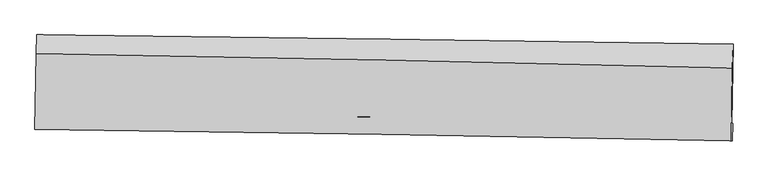
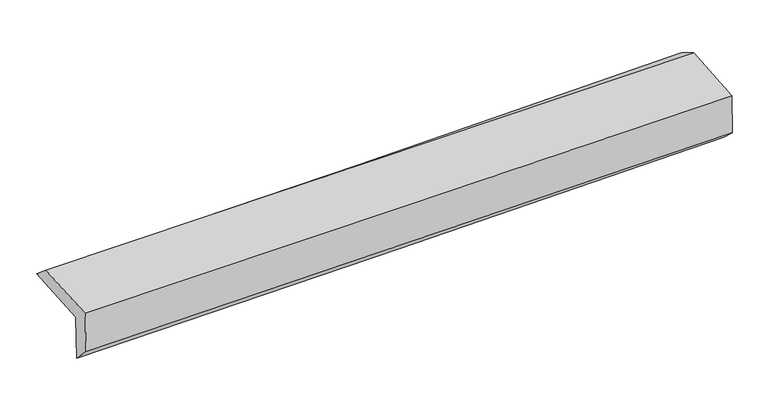
"""IFC4 building model written with IfcOpenShell, lengths in millimetres: proxy geometry."""

from ifc_helpers import new_model, si_unit, frame, origin, place, context, project, spatial, source, transform, mapped, element, save
from ifc_brep_helpers import plane_surface, spline_curve, spline_surface, advanced_brep


def generic_models_77510397(model_context):
    return source(origin(), model_context, "Body", "AdvancedBrep", [
        advanced_brep(
        [(-3021.3833484, -1740.8158276, 1956.2993996), (-3010.3661779, -1081.4392538, 1982.7787474), (3010.1488499, -1161.675762, 2124.7006036), (2999.9972319, -1850.7914675, 2106.5909794), (-3013.4761872, -1738.0219143, 1544.1781339), (3007.7355823, -1850.7942077, 1702.6496514), (-3019.3913696, -1900.2237712, 1705.7488203), (3002.8131702, -2002.7838904, 1838.7277538), (-3026.7391202, -1900.3479844, 2090.9790136), (2995.6643552, -2002.7813589, 2211.8953725), (-3015.7469527, -1242.4678388, 2117.3982677), (3004.5744415, -1367.6045468, 2251.9175177)],
        [
            (0, 1),
            (1, 2, spline_curve(3, [(-3010.3661779, -1081.4392538, 1982.7787474), (-2006.975527615, -1092.413515964, 1995.695937222), (-1003.727040066, -1104.584564212, 2013.97599218), (1003.111480201, -1131.32857281, 2061.276583199), (2006.701335237, -1145.903027621, 2090.303813938), (3010.1488499, -1161.675762, 2124.7006036)], [4, 2, 4], [0.0, 9.878214946213431, 19.762593228803247])),
            (2, 3),
            (3, 0, spline_curve(3, [(2999.9972319, -1850.7914675, 2106.5909794), (1996.557191803, -1831.563265179, 2062.473077003), (992.898898503, -1812.781808795, 2027.888893987), (-1014.228233358, -1776.123818888, 1977.803586259), (-2017.696800467, -1758.246729118, 1962.290576148), (-3021.3833484, -1740.8158276, 1956.2993996)], [4, 2, 4], [0.0, 9.884378282589816, 19.762593228803247])),
            (4, 0),
            (3, 5),
            (5, 4, spline_curve(3, [(3007.7355823, -1850.7942077, 1702.6496514), (2004.390891232, -1821.382488714, 1661.918623406), (1000.794334134, -1797.27766209, 1628.345262993), (-1006.276569725, -1759.693513634, 1575.530347132), (-2009.750602352, -1746.207576044, 1556.279868695), (-3013.4761872, -1738.0219143, 1544.1781339)], [4, 2, 4], [0.0, 9.885851912717113, 19.76553957018587])),
            (6, 4),
            (5, 7),
            (7, 6, spline_curve(3, [(3002.8131702, -2002.7838904, 1838.7277538), (1998.962343754, -1981.66065908, 1814.961615968), (995.030015524, -1962.550328807, 1791.993762103), (-1012.371599577, -1928.366131778, 1747.66844618), (-2015.840784347, -1913.289755616, 1726.309988802), (-3019.3913696, -1900.2237712, 1705.7488203)], [4, 2, 4], [0.0, 9.885825258827559, 19.76548627902661])),
            (8, 6),
            (7, 9),
            (9, 8, spline_curve(3, [(2995.6643552, -2002.7813589, 2211.8953725), (1991.88671361, -1981.637158326, 2184.572805134), (987.974377794, -1962.52691549, 2160.833132927), (-1019.493615146, -1928.384992711, 2120.532146494), (-2023.04910445, -1913.350777599, 2103.966366142), (-3026.7391202, -1900.3479844, 2090.9790136)], [4, 2, 4], [0.0, 9.885866133795618, 19.765568003475423])),
            (10, 8),
            (9, 11),
            (11, 10, spline_curve(3, [(3004.5744415, -1367.6045468, 2251.9175177), (2000.989528396, -1344.20892611, 2227.253889632), (997.347141838, -1322.080199392, 2203.708990842), (-1009.426728065, -1280.36954306, 2158.870635642), (-2012.558139359, -1260.786033614, 2137.575784501), (-3015.7469527, -1242.4678388, 2117.3982677)], [4, 2, 4], [0.0, 9.884677187848917, 19.763190852941122])),
            (1, 10),
            (11, 2),
        ],
        [
            spline_surface(3, 3, [[(-3021.3833484, -1740.8158276, 1956.2993996), (-2017.696800465, -1758.246728954, 1962.290576139), (-1014.228233522, -1776.123819007, 1977.803586325), (992.898898666, -1812.781808677, 2027.88889392), (1996.557191838, -1831.563265271, 2062.473077016), (2999.9972319, -1850.7914675, 2106.5909794)], [(-3017.710958226, -1521.02363633, 1965.125848884), (-2014.123042826, -1536.302324613, 1973.425696531), (-1010.72783566, -1552.277400716, 1989.861054943), (996.303092487, -1585.630730108, 2039.018123735), (1999.938572942, -1603.009852686, 2071.74998932), (3003.381104591, -1621.086232331, 2112.627520828)], [(-3014.038568074, -1301.23144507, 1973.952298116), (-2010.549285208, -1314.357920284, 1984.560816871), (-1007.227437827, -1328.430982384, 2001.918523478), (999.707286279, -1358.479651497, 2050.147353468), (2003.319953972, -1374.456440107, 2081.026901539), (3006.764977209, -1391.380997169, 2118.664062172)], [(-3010.3661779, -1081.4392538, 1982.7787474), (-2006.97552757, -1092.413515943, 1995.695937263), (-1003.727039965, -1104.584564093, 2013.975992096), (1003.1114801, -1131.328572929, 2061.276583283), (2006.701335076, -1145.903027522, 2090.303813843), (3010.1488499, -1161.675762, 2124.7006036)]], [4, 4], [4, 2, 4], [0.0, 2.222676914883597], [0.0, 9.878214946213431, 19.762593228803247]),
            spline_surface(3, 3, [[(-3013.4761872, -1738.0219143, 1544.1781339), (-2009.750602388, -1746.207576033, 1556.279868683), (-1006.27656971, -1759.693513667, 1575.530347198), (1000.794334119, -1797.277662057, 1628.345262927), (2004.390891285, -1821.382488866, 1661.918623563), (3007.7355823, -1850.7942077, 1702.6496514)], [(-3016.111907598, -1738.953218759, 1681.551889132), (-2012.399335078, -1750.220627032, 1691.616771167), (-1008.927124311, -1765.170282113, 1709.621426903), (998.162522304, -1802.445710929, 1761.526473254), (2001.779658136, -1824.776081007, 1795.436774697), (3005.156132167, -1850.793294306, 1837.296760716)], [(-3018.747628002, -1739.884523141, 1818.925644368), (-2015.048067775, -1754.233677955, 1826.953673655), (-1011.577678921, -1770.647050561, 1843.71250662), (995.530710481, -1807.613759804, 1894.707683593), (1999.168424987, -1828.16967313, 1928.954925882), (3002.576682033, -1850.792380894, 1971.943870084)], [(-3021.3833484, -1740.8158276, 1956.2993996), (-2017.696800465, -1758.246728954, 1962.290576139), (-1014.228233522, -1776.123819007, 1977.803586325), (992.898898666, -1812.781808677, 2027.88889392), (1996.557191838, -1831.563265271, 2062.473077016), (2999.9972319, -1850.7914675, 2106.5909794)]], [4, 4], [4, 2, 4], [0.0, 1.3166130133767564], [0.0, 9.879687657468756, 19.76553957018587]),
            spline_surface(3, 3, [[(-3019.3913696, -1900.2237712, 1705.7488203), (-2015.840784298, -1913.289755608, 1726.30998883), (-1012.371599455, -1928.366131839, 1747.668446163), (995.030015402, -1962.550328746, 1791.99376212), (1998.962343862, -1981.660658944, 1814.961615936), (3002.8131702, -2002.7838904, 1838.7277538)], [(-3017.419642143, -1846.156485553, 1651.89192484), (-2013.810723671, -1857.595695736, 1669.633282121), (-1010.3399229, -1872.141925783, 1690.28907984), (996.951454947, -1907.459439851, 1737.444262388), (2000.771859673, -1928.234602264, 1763.94728515), (3004.453974236, -1952.120662846, 1793.368386338)], [(-3015.447914657, -1792.089199947, 1598.03502936), (-2011.780663015, -1801.901635905, 1612.956575392), (-1008.308246265, -1815.917719723, 1632.909713521), (998.872894574, -1852.368550951, 1682.894762659), (2002.581375474, -1874.808545546, 1712.932954349), (3006.094778264, -1901.457435254, 1748.009018862)], [(-3013.4761872, -1738.0219143, 1544.1781339), (-2009.750602388, -1746.207576033, 1556.279868683), (-1006.27656971, -1759.693513667, 1575.530347198), (1000.794334119, -1797.277662057, 1628.345262927), (2004.390891285, -1821.382488866, 1661.918623563), (3007.7355823, -1850.7942077, 1702.6496514)]], [4, 4], [4, 2, 4], [0.0, 0.7770947464103253], [0.0, 9.879661020199052, 19.76548627902661]),
            spline_surface(3, 3, [[(-3026.7391202, -1900.3479844, 2090.9790136), (-2023.049104603, -1913.350777623, 2103.966365991), (-1019.493615208, -1928.384992869, 2120.53214662), (987.974377856, -1962.526915332, 2160.8331328), (1991.886713579, -1981.6371582, 2184.572805138), (2995.6643552, -2002.7813589, 2211.8953725)], [(-3024.289870002, -1900.306580016, 1962.568949144), (-2020.646331169, -1913.330436967, 1978.080906914), (-1017.119609949, -1928.378705849, 1996.24424646), (990.326257046, -1962.534719793, 2037.886675899), (1994.245256979, -1981.644991756, 2061.36907539), (2998.047293506, -2002.782202708, 2087.506166253)], [(-3021.840619798, -1900.265175584, 1834.158884756), (-2018.243557731, -1913.310096264, 1852.195447907), (-1014.745604714, -1928.372418859, 1871.956346323), (992.678136212, -1962.542524284, 1914.940219021), (1996.603800462, -1981.652825388, 1938.165345684), (3000.430231894, -2002.783046592, 1963.116960047)], [(-3019.3913696, -1900.2237712, 1705.7488203), (-2015.840784298, -1913.289755608, 1726.30998883), (-1012.371599455, -1928.366131839, 1747.668446163), (995.030015402, -1962.550328746, 1791.99376212), (1998.962343862, -1981.660658944, 1814.961615936), (3002.8131702, -2002.7838904, 1838.7277538)]], [4, 4], [4, 2, 4], [0.0, 1.2169226589608257], [0.0, 9.879701869679804, 19.765568003475423]),
            spline_surface(3, 3, [[(-3015.7469527, -1242.4678388, 2117.3982677), (-2012.558139495, -1260.786033538, 2137.575784342), (-1009.426727966, -1280.369542944, 2158.870635591), (997.347141739, -1322.080199509, 2203.708990893), (2000.989528304, -1344.208926106, 2227.253889606), (3004.5744415, -1367.6045468, 2251.9175177)], [(-3019.411008534, -1461.761220659, 2108.591849683), (-2016.055127865, -1478.307614892, 2126.372644907), (-1012.782357031, -1496.374692908, 2146.091139277), (994.222887127, -1535.562438105, 2189.417038205), (1997.955256749, -1556.68500349, 2213.026861447), (3001.604412753, -1579.330150853, 2238.576802631)], [(-3023.075064366, -1681.054602541, 2099.785431617), (-2019.552116233, -1695.829196269, 2115.169505425), (-1016.137986143, -1712.379842905, 2133.311642934), (991.098632468, -1749.044676735, 2175.125085488), (1994.920985134, -1769.161080815, 2198.799833297), (2998.634383947, -1791.055754847, 2225.236087569)], [(-3026.7391202, -1900.3479844, 2090.9790136), (-2023.049104603, -1913.350777623, 2103.966365991), (-1019.493615208, -1928.384992869, 2120.53214662), (987.974377856, -1962.526915332, 2160.8331328), (1991.886713579, -1981.6371582, 2184.572805138), (2995.6643552, -2002.7813589, 2211.8953725)]], [4, 4], [4, 2, 4], [0.0, 2.1180462427291418], [0.0, 9.878513665092205, 19.763190852941122]),
            spline_surface(3, 3, [[(-3010.3661779, -1081.4392538, 1982.7787474), (-2006.97552757, -1092.413515943, 1995.695937263), (-1003.727039965, -1104.584564093, 2013.975992096), (1003.1114801, -1131.328572929, 2061.276583283), (2006.701335076, -1145.903027522, 2090.303813843), (3010.1488499, -1161.675762, 2124.7006036)], [(-3012.159769497, -1135.115448784, 2027.651920818), (-2008.836398209, -1148.537688459, 2042.989219607), (-1005.626935975, -1163.17955705, 2062.274206571), (1001.19003397, -1194.912448462, 2108.754052463), (2004.797399464, -1212.004993705, 2135.953839098), (3008.290713746, -1230.318690255, 2167.106241633)], [(-3013.953361103, -1188.791643816, 2072.525094282), (-2010.697268856, -1204.661861022, 2090.282501997), (-1007.526831956, -1221.774549987, 2110.572421116), (999.268587869, -1258.496323975, 2156.231521713), (2002.893463915, -1278.106959923, 2181.603864352), (3006.432577654, -1298.961618545, 2209.511879667)], [(-3015.7469527, -1242.4678388, 2117.3982677), (-2012.558139495, -1260.786033538, 2137.575784342), (-1009.426727966, -1280.369542944, 2158.870635591), (997.347141739, -1322.080199509, 2203.708990893), (2000.989528304, -1344.208926106, 2227.253889606), (3004.5744415, -1367.6045468, 2251.9175177)]], [4, 4], [4, 2, 4], [0.0, 0.7642373088207721], [0.0, 9.877041013699365, 19.760244631320823]),
            plane_surface(frame((3003.4889385, -1706.0718722, 2039.4136464), z_axis=(0.9997005852779399, -0.015230250296288793, 0.01915148221044026), x_axis=(0.019153600500248523, -6.782366705266392e-06, -0.9998165529445271))),
            plane_surface(frame((-3017.850526, -1600.552765, 1899.5637304), z_axis=(-0.9996656989984827, 0.017468360386577893, -0.019061653424605585), x_axis=(-0.016692682607998523, -0.99905541486551, -0.04012022401797405))),
        ],
        [
            (0, [[1, 2, 3, 4]]),
            (1, [[5, -4, 6, 7]]),
            (2, [[8, -7, 9, 10]]),
            (3, [[11, -10, 12, 13]]),
            (4, [[14, -13, 15, 16]]),
            (5, [[17, -16, 18, -2]]),
            (6, [[-12, -9, -6, -3, -18, -15]]),
            (7, [[-1, -5, -8, -11, -14, -17]]),
        ],
    ),
    ])


if __name__ == "__main__":
    model = new_model("IFC4")
    model_context = context("Model", 3, world=origin())
    ifc_project = project(units=[si_unit("LENGTHUNIT", "METRE", prefix="MILLI")], contexts=[model_context])
    site = spatial("IfcSite", under=ifc_project)
    building = spatial("IfcBuilding", under=site)
    placement = place(None, origin())
    generic_models_shape = generic_models_77510397(model_context)
    element("IfcBuildingElementProxy", 1, Name="Generic Models", at=placement, inside=building, context=model_context, shape_type="MappedRepresentation", body=[
        mapped(generic_models_shape, transform((0.0, 0.0, 0.0), x_axis=(1.0, 0.0, 0.0), y_axis=(0.0, 1.0, 0.0), z_axis=(0.0, 0.0, 1.0))),
    ])
    save(model, "model.ifc")
